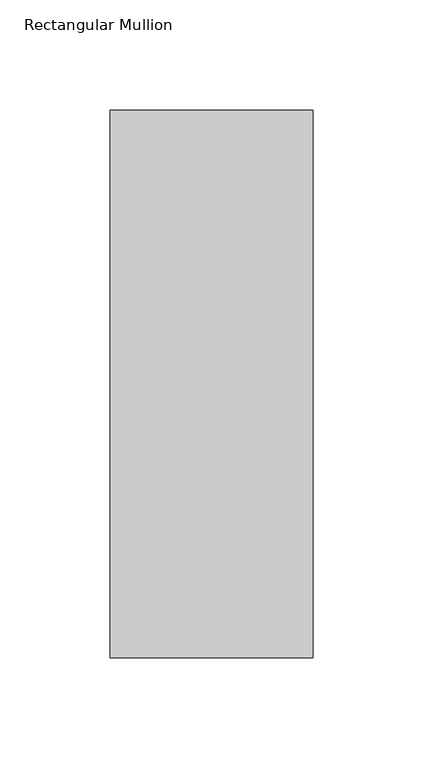
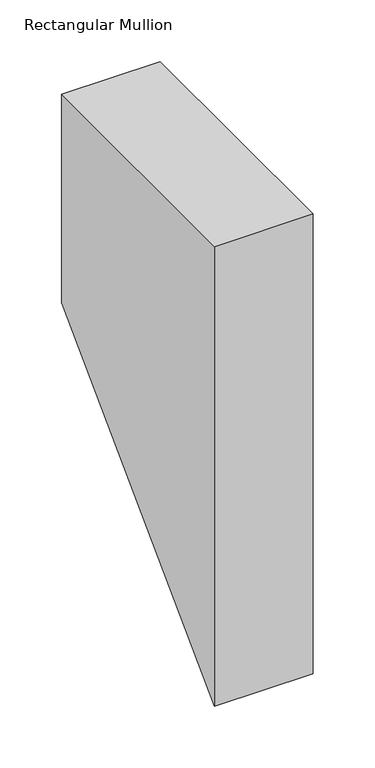
"""IFC4 building model written with IfcOpenShell, lengths in millimetres: member geometry, Rectangular Mullion."""

from ifc_helpers import new_model, si_unit, origin, place, context, project, spatial, faceted_brep, source, transform, mapped, element, save


def rectangular_mullion_b8c5acee(model_context):
    return source(origin(), model_context, "Body", "Brep", [
        faceted_brep([(0.0154385, 295.1925444, 0.0), (-92.0849612, 295.1994606, 0.0), (-92.1036175, 46.7620603, 0.0), (-0.0032178, 46.755144, 0.0), (0.0154385, 295.1925444, -206.4574556), (-92.0849612, 295.1994606, -206.4505394), (-92.1036175, 46.7620603, -454.8879397), (-0.0032178, 46.755144, -454.894856)], [[[0, 1, 2, 3]], [[1, 0, 4, 5]], [[2, 1, 5, 6]], [[3, 2, 6, 7]], [[0, 3, 7, 4]], [[4, 7, 6, 5]]]),
    ])


if __name__ == "__main__":
    model = new_model("IFC4")
    model_context = context("Model", 3, world=origin())
    ifc_project = project(units=[si_unit("LENGTHUNIT", "METRE", prefix="MILLI")], contexts=[model_context])
    site = spatial("IfcSite", under=ifc_project)
    building = spatial("IfcBuilding", under=site)
    placement = place(None, origin())
    rectangular_mullion_shape = rectangular_mullion_b8c5acee(model_context)
    element("IfcMember", 1, ObjectType="Rectangular Mullion", at=placement, inside=building, context=model_context, shape_type="MappedRepresentation", body=[
        mapped(rectangular_mullion_shape, transform((0.0, 0.0, 0.0), x_axis=(1.0, 0.0, 0.0), y_axis=(0.0, 1.0, 0.0), z_axis=(0.0, 0.0, 1.0))),
    ])
    save(model, "model.ifc")
